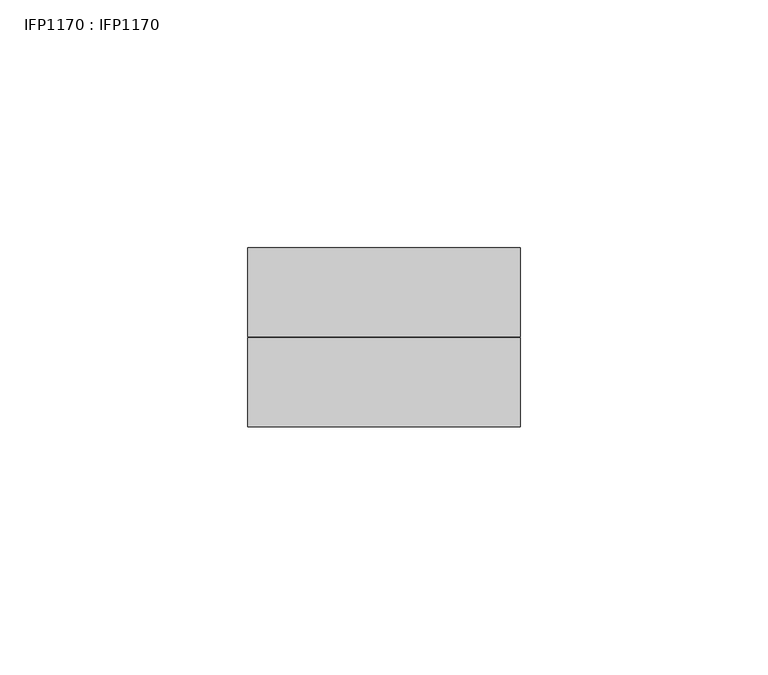
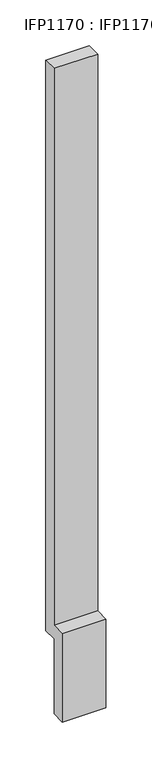
"""IFC4 building model written with IfcOpenShell, lengths in millimetres: proxy geometry, IFP1170 : IFP1170."""

from ifc_helpers import new_model, si_unit, frame, origin, place, context, project, spatial, polyline, outline, extrude, source, transform, mapped, element, save


def ifp1170_ifp1170_8605d8ea(model_context):
    return source(origin(), model_context, "Body", "SweptSolid", [
        extrude(outline(polyline([(36.0, 100.0), (18.0, 100.0), (18.0, 0.0), (0.0, 0.0), (0.0, 118.0), (18.0, 118.0), (18.0, 860.0), (36.0, 860.0), (36.0, 100.0)])), frame((0.0, 0.0, 0.0), z_axis=(1.0, 0.0, 0.0), x_axis=(0.0, 1.0, 0.0)), (0.0, 0.0, 1.0), 55.0),
    ])


if __name__ == "__main__":
    model = new_model("IFC4")
    model_context = context("Model", 3, world=origin())
    ifc_project = project(units=[si_unit("LENGTHUNIT", "METRE", prefix="MILLI")], contexts=[model_context])
    site = spatial("IfcSite", under=ifc_project)
    building = spatial("IfcBuilding", under=site)
    placement = place(None, origin())
    ifp1170_ifp1170_shape = ifp1170_ifp1170_8605d8ea(model_context)
    element("IfcBuildingElementProxy", 1, Name="IFP1170 : IFP1170", ObjectType="IFP1170 : IFP1170", at=placement, inside=building, context=model_context, shape_type="MappedRepresentation", body=[
        mapped(ifp1170_ifp1170_shape, transform((0.0, 0.0, 0.0), x_axis=(1.0, 0.0, 0.0), y_axis=(0.0, 1.0, 0.0), z_axis=(0.0, 0.0, 1.0))),
    ])
    save(model, "model.ifc")
